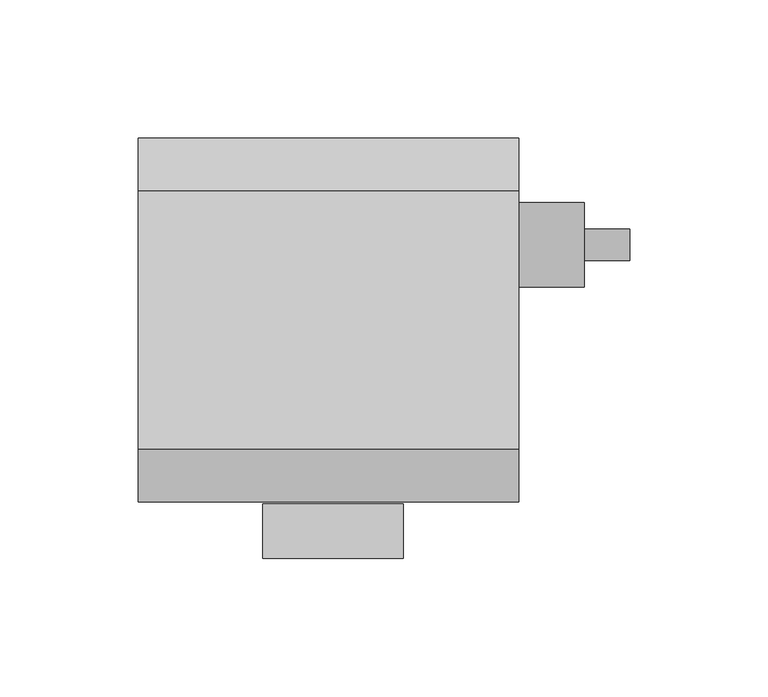
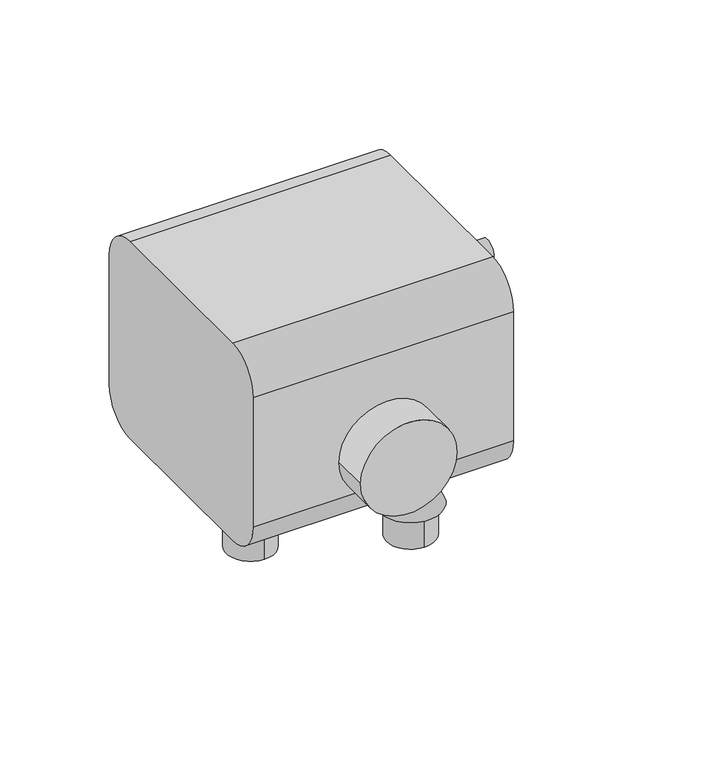
"""IFC4 building model written with IfcOpenShell, lengths in millimetres: proxy geometry."""

import ifcopenshell
import ifcopenshell.guid

model = None  # the IFC model being written
_history = None  # IfcOwnerHistory: only IFC2X3 demands one
_inside = {}  # id of a spatial element -> (the spatial element, [elements in it])
_under = {}  # id of a project, library or spatial element -> (it, [spatial elements below it])
_declared = {}  # id of a project -> (the project, [libraries it declares])
_typed = {}  # id of a type object -> (the type object, [elements of that type])
_made_of = {}  # id of a material, layer set ... -> (it, [elements and type objects made of it])


def new_model(schema):
    """Start an empty IFC model of exactly this schema.

    Asked for "IFC4X3", IfcOpenShell would pick the latest addendum, in which some entities
    have other attributes; the version numbers below select the first issue.
    IFC2X3 requires an IfcOwnerHistory on every rooted entity: one is made here for all.
    """
    global model, _history
    if schema == "IFC4X3":
        model = ifcopenshell.file(schema_version=(4, 3, 0, 0))
    else:
        model = ifcopenshell.file(schema=schema)
    _inside.clear()
    _under.clear()
    _declared.clear()
    _typed.clear()
    _made_of.clear()
    _history = None
    if model.schema == "IFC2X3":
        org = make("IfcOrganization", Name="unknown")
        user = make(
            "IfcPersonAndOrganization",
            ThePerson=make("IfcPerson", FamilyName="unknown"),
            TheOrganization=org,
        )
        app = make(
            "IfcApplication",
            ApplicationDeveloper=org,
            Version="unknown",
            ApplicationFullName="unknown",
            ApplicationIdentifier="unknown",
        )
        _history = make(
            "IfcOwnerHistory",
            OwningUser=user,
            OwningApplication=app,
            ChangeAction="ADDED",
            CreationDate=0,
        )
    return model


def make(cls, **values):
    """One entity of the class cls with the attributes given. An attribute that is None is left unset."""
    return model.create_entity(
        cls, **{name: value for name, value in values.items() if value is not None}
    )


def rooted(cls, **values):
    """An entity with a GlobalId (a new one), such as an element, a storey or a relation."""
    return make(cls, GlobalId=ifcopenshell.guid.new(), OwnerHistory=_history, **values)


def si_unit(unit_type, name, prefix=None):
    """IfcSIUnit, for example si_unit("LENGTHUNIT", "METRE", prefix="MILLI")."""
    return make("IfcSIUnit", UnitType=unit_type, Prefix=prefix, Name=name)


def assignment(units):
    """IfcUnitAssignment: the units of a project."""
    return None if units is None else make("IfcUnitAssignment", Units=units)


def point(xyz):
    """IfcCartesianPoint."""
    return None if xyz is None else make("IfcCartesianPoint", Coordinates=xyz)


def direction(xyz):
    """IfcDirection."""
    return None if xyz is None else make("IfcDirection", DirectionRatios=xyz)


def frame(location, z_axis=None, x_axis=None):
    """IfcAxis2Placement3D, a coordinate frame: its origin and axes. An axis left out is left unset."""
    return make(
        "IfcAxis2Placement3D",
        Location=point(location),
        Axis=direction(z_axis),
        RefDirection=direction(x_axis),
    )


def frame_2d(location, x_axis=None):
    """IfcAxis2Placement2D, a coordinate frame in the plane: its origin and x axis."""
    return make(
        "IfcAxis2Placement2D", Location=point(location), RefDirection=direction(x_axis)
    )


def origin():
    """The frame at (0, 0, 0) with its axes left unset."""
    return frame((0.0, 0.0, 0.0))


def origin_with_axes():
    """The frame at (0, 0, 0) with the z axis (0, 0, 1) and the x axis (1, 0, 0) written out."""
    return frame((0.0, 0.0, 0.0), z_axis=(0.0, 0.0, 1.0), x_axis=(1.0, 0.0, 0.0))


def place(relative_to, where):
    """IfcLocalPlacement: puts the frame where relative to a parent placement (None: the world)."""
    return make(
        "IfcLocalPlacement", PlacementRelTo=relative_to, RelativePlacement=where
    )


def context(
    kind, dimensions, precision=None, world=None, true_north=None, identifier=None
):
    """IfcGeometricRepresentationContext, for example the 3D "Model" context."""
    return make(
        "IfcGeometricRepresentationContext",
        ContextIdentifier=identifier,
        ContextType=kind,
        CoordinateSpaceDimension=dimensions,
        Precision=precision,
        WorldCoordinateSystem=world,
        TrueNorth=true_north,
    )


def project(units=None, contexts=None):
    """IfcProject with its units and contexts."""
    return rooted(
        "IfcProject",
        Name="project",
        RepresentationContexts=contexts,
        UnitsInContext=assignment(units),
    )


def spatial(cls, under=None, at=None, **own):
    """A site, building, storey or space (cls), placed at a placement, below another one or the project."""
    s = rooted(cls, ObjectPlacement=at, **own)
    if under is not None:
        _under.setdefault(under.id(), (under, []))[1].append(s)
    return s


def polyline(points):
    """IfcPolyline through the points."""
    return make("IfcPolyline", Points=[point(p) for p in points])


def circle_curve(where, radius):
    """IfcCircle in the frame where."""
    return make("IfcCircle", Position=where, Radius=radius)


def trimmed(basis, trim1, trim2, sense, master):
    """IfcTrimmedCurve: the piece of a basis curve between two trims."""
    return make(
        "IfcTrimmedCurve",
        BasisCurve=basis,
        Trim1=trim1,
        Trim2=trim2,
        SenseAgreement=sense,
        MasterRepresentation=master,
    )


def segment(curve, same_sense, transition):
    """IfcCompositeCurveSegment."""
    return make(
        "IfcCompositeCurveSegment",
        Transition=transition,
        SameSense=same_sense,
        ParentCurve=curve,
    )


def composite_curve(segments, self_intersect=None):
    """IfcCompositeCurve: segments joined end to end."""
    return make("IfcCompositeCurve", Segments=segments, SelfIntersect=self_intersect)


def outline(outer, holes=None, kind="AREA"):
    """IfcArbitraryClosedProfileDef: a profile drawn as a closed curve; with holes, ...WithVoids."""
    if holes is None:
        return make("IfcArbitraryClosedProfileDef", ProfileType=kind, OuterCurve=outer)
    return make(
        "IfcArbitraryProfileDefWithVoids",
        ProfileType=kind,
        OuterCurve=outer,
        InnerCurves=holes,
    )


def extrude(swept, where, along, depth):
    """IfcExtrudedAreaSolid: the profile swept, set in the frame where, extruded along a direction by depth."""
    return make(
        "IfcExtrudedAreaSolid",
        SweptArea=swept,
        Position=where,
        ExtrudedDirection=direction(along),
        Depth=depth,
    )


def shape(context_of_items, identifier, shape_type, items):
    """IfcShapeRepresentation: the items that make up one representation, for example the "Body"."""
    return make(
        "IfcShapeRepresentation",
        ContextOfItems=context_of_items,
        RepresentationIdentifier=identifier,
        RepresentationType=shape_type,
        Items=items,
    )


def source(mapping_origin, context_of_items, identifier, shape_type, items):
    """IfcRepresentationMap: a shape defined once, which mapped items show again and again."""
    return make(
        "IfcRepresentationMap",
        MappingOrigin=mapping_origin,
        MappedRepresentation=shape(context_of_items, identifier, shape_type, items),
    )


def transform(
    local_origin,
    x_axis=None,
    y_axis=None,
    z_axis=None,
    scale=None,
    scale2=None,
    scale3=None,
    uniform=True,
):
    """IfcCartesianTransformationOperator3D, or its non-uniform kind. x_axis, y_axis, z_axis: its Axis1, 2, 3."""
    if uniform:
        return make(
            "IfcCartesianTransformationOperator3D",
            Axis1=direction(x_axis),
            Axis2=direction(y_axis),
            LocalOrigin=point(local_origin),
            Scale=scale,
            Axis3=direction(z_axis),
        )
    return make(
        "IfcCartesianTransformationOperator3DnonUniform",
        Axis1=direction(x_axis),
        Axis2=direction(y_axis),
        LocalOrigin=point(local_origin),
        Scale=scale,
        Axis3=direction(z_axis),
        Scale2=scale2,
        Scale3=scale3,
    )


def mapped(mapping_source, mapping_target):
    """IfcMappedItem: shows the shape of a source again, moved by a transform."""
    return make(
        "IfcMappedItem", MappingSource=mapping_source, MappingTarget=mapping_target
    )


def made_of(thing, what):
    """Note that an element or type object is made of a material, layer set ...; save() writes the relation."""
    if what is not None:
        _made_of.setdefault(what.id(), (what, []))[1].append(thing)
    return thing


def element(
    cls,
    number,
    at=None,
    inside=None,
    cuts=None,
    type_object=None,
    material=None,
    context=None,
    identifier="Body",
    shape_type=None,
    held_by="IfcProductDefinitionShape",
    body=None,
    shapes=None,
    **own,
):
    """One element of the class cls, such as IfcWall. Its Tag is "e" and its number.

    at: its placement. inside: the storey or other place that contains it. cuts: it is an
    opening in that element (IfcRelVoidsElement). A single representation is given by context,
    identifier, shape_type and body (its items); several are given by shapes. held_by: the class
    of the entity that holds the representations. save() writes the other relations.
    """
    e = rooted(cls, Tag="e%d" % number, ObjectPlacement=at, **own)
    if body is not None:
        shapes = [shape(context, identifier, shape_type, body)]
    if shapes is not None:
        e.Representation = make(held_by, Representations=shapes)
    if inside is not None:
        _inside.setdefault(inside.id(), (inside, []))[1].append(e)
    if cuts is not None:
        rooted(
            "IfcRelVoidsElement", RelatingBuildingElement=cuts, RelatedOpeningElement=e
        )
    if type_object is not None:
        _typed.setdefault(type_object.id(), (type_object, []))[1].append(e)
    return made_of(e, material)


def aggregate(whole, parts):
    """IfcRelAggregates: a whole, such as a stair, and the parts it consists of."""
    return rooted("IfcRelAggregates", RelatingObject=whole, RelatedObjects=parts)


def save(model, path):
    """Write the relations noted so far, then the file.

    IfcRelAggregates (storeys below a building ...), IfcRelContainedInSpatialStructure (elements
    in a storey), IfcRelDefinesByType, IfcRelAssociatesMaterial and IfcRelDeclares: one each for
    every whole, place, type object, material and project.
    """
    for whole, parts in _under.values():
        aggregate(whole, parts)
    for where, things in _inside.values():
        rooted(
            "IfcRelContainedInSpatialStructure",
            RelatedElements=things,
            RelatingStructure=where,
        )
    for kind, things in _typed.values():
        rooted("IfcRelDefinesByType", RelatedObjects=things, RelatingType=kind)
    for what, things in _made_of.values():
        rooted("IfcRelAssociatesMaterial", RelatedObjects=things, RelatingMaterial=what)
    for by, libraries in _declared.values():
        rooted("IfcRelDeclares", RelatingContext=by, RelatedDefinitions=libraries)
    model.write(path)


def plane_surface(at):
    """IfcPlane: the flat surface through the origin of the frame at, square to its z axis."""
    return make("IfcPlane", Position=at)


def cylinder_surface(at, radius):
    """IfcCylindricalSurface: all points at the distance radius from the z axis of the frame at."""
    return make("IfcCylindricalSurface", Position=at, Radius=radius)


def revolved_surface(curve, axis_point, axis_direction):
    """IfcSurfaceOfRevolution: the curve turned about the line through axis_point along axis_direction."""
    return make(
        "IfcSurfaceOfRevolution",
        SweptCurve=make("IfcArbitraryOpenProfileDef", ProfileType="CURVE", Curve=curve),
        AxisPosition=make("IfcAxis1Placement", Location=point(axis_point), Axis=direction(axis_direction)),
    )


def advanced_brep(points, edges, surfaces, faces):
    """IfcAdvancedBrep: a solid bounded by faces that lie on surfaces and meet in shared edges.

    An edge is (start, end): straight between two places in points (the first is 0);
    or (start, end, curve); or (start, end, curve, False) where it runs against its curve.
    A face is (place in surfaces, loops), or (place, loops, False) where it looks against
    its surface's normal. A loop lists edges by number (the first is 1), with a minus sign
    where the edge is run from its end to its start. The first loop is the outer one.
    """
    corners = [point(p) for p in points]
    vertices = [make("IfcVertexPoint", VertexGeometry=c) for c in corners]
    made = []
    for start, end, *more in edges:
        made.append(
            make(
                "IfcEdgeCurve",
                EdgeStart=vertices[start],
                EdgeEnd=vertices[end],
                EdgeGeometry=more[0] if more else make("IfcPolyline", Points=[corners[start], corners[end]]),
                SameSense=more[1] if len(more) > 1 else True,
            )
        )
    hull = []
    for where, loops, *sense in faces:
        bounds = []
        for j, loop in enumerate(loops):
            ring = [make("IfcOrientedEdge", EdgeElement=made[abs(k) - 1], Orientation=k > 0) for k in loop]
            bounds.append(
                make(
                    "IfcFaceOuterBound" if j == 0 else "IfcFaceBound",
                    Bound=make("IfcEdgeLoop", EdgeList=ring),
                    Orientation=True,
                )
            )
        hull.append(make("IfcAdvancedFace", Bounds=bounds, FaceSurface=surfaces[where], SameSense=sense[0] if sense else True))
    return make("IfcAdvancedBrep", Outer=make("IfcClosedShell", CfsFaces=hull))


def specialty_equipment_cc5dd597(model_context):
    return source(origin(), model_context, "Body", "SolidModel", [
        advanced_brep(
        [(5.1374303, -39.2704132, 41.6805987), (23.7361497, -39.2704132, 41.6805987), (23.7361497, -39.2704132, 31.9094038), (5.1374303, -39.2704132, 31.9094038), (14.43679, -39.2704132, 41.6805987), (-1.7211066, -39.2704132, 17.2012239), (30.5946866, -39.2704132, 17.2012239), (14.43679, -39.2704132, 17.2012239)],
        [
            (0, 1, circle_curve(frame((14.43679, -39.2704132, 41.6805987), z_axis=(0.0, 0.0, -1.0), x_axis=(1.0, 0.0, 0.0)), 9.2993597)),
            (1, 2),
            (2, 3, circle_curve(frame((14.43679, -39.2704132, 31.9094038), z_axis=(0.0, 0.0, 1.0), x_axis=(1.0, 0.0, 0.0)), 9.2993597)),
            (3, 0),
            (1, 0, circle_curve(frame((14.43679, -39.2704132, 41.6805987), z_axis=(0.0, 0.0, -1.0), x_axis=(1.0, 0.0, 0.0)), 9.2993597)),
            (3, 2, circle_curve(frame((14.43679, -39.2704132, 31.9094038), z_axis=(0.0, 0.0, 1.0), x_axis=(1.0, 0.0, 0.0)), 9.2993597)),
            (4, 1),
            (0, 4),
            (5, 6, circle_curve(frame((14.43679, -39.2704132, 17.2012239), z_axis=(0.0, 0.0, -1.0), x_axis=(1.0, 0.0, 0.0)), 16.1578966)),
            (6, 7),
            (7, 5),
            (6, 5, circle_curve(frame((14.43679, -39.2704132, 17.2012239), z_axis=(0.0, 0.0, -1.0), x_axis=(1.0, 0.0, 0.0)), 16.1578966)),
            (2, 6),
            (5, 3),
        ],
        [
            cylinder_surface(frame((14.43679, -39.2704132, -41.3412365), z_axis=(0.0, 0.0, 1.0), x_axis=(1.0, 0.0, 0.0)), 9.2993597),
            plane_surface(frame((14.43679, -39.2704132, 41.6805987), z_axis=(0.0, 0.0, 1.0), x_axis=(1.0, 0.0, 0.0))),
            plane_surface(frame((14.43679, -39.2704132, 17.2012239), z_axis=(0.0, 0.0, -1.0), x_axis=(1.0, 0.0, 0.0))),
            revolved_surface(polyline([(30.5946866, -39.2704132, 17.2012239), (23.7361497, -39.2704132, 31.9094038)]), (14.43679, -39.2704132, -41.3412365), (0.0, 0.0, 1.0)),
        ],
        [
            (0, [[1, 2, 3, 4]]),
            (0, [[5, -4, 6, -2]]),
            (1, [[7, -1, 8]]),
            (1, [[-8, -5, -7]]),
            (2, [[9, 10, 11]]),
            (2, [[12, -11, -10]]),
            (3, [[-3, 13, -9, 14]]),
            (3, [[-6, -14, -12, -13]]),
        ],
    ),
        extrude(outline(composite_curve([segment(trimmed(circle_curve(frame_2d((14.43679, -39.2704132)), 12.7), [point((14.43679, -26.5704132))], [point((14.43679, -51.9704132))], False, "CARTESIAN"), True, "CONTINUOUS"), segment(trimmed(circle_curve(frame_2d((14.43679, -39.2704132)), 12.7), [point((14.43679, -51.9704132))], [point((14.43679, -26.5704132))], False, "CARTESIAN"), True, "CONTINUOUS")], self_intersect=False)), origin_with_axes(), (0.0, 0.0, 1.0), 17.2004489),
        advanced_brep(
        [(5.1374303, -96.4204132, 41.6805987), (23.7361497, -96.4204132, 41.6805987), (23.7361497, -96.4204132, 31.9094038), (5.1374303, -96.4204132, 31.9094038), (14.43679, -96.4204132, 41.6805987), (-1.7211066, -96.4204132, 17.2012239), (30.5946866, -96.4204132, 17.2012239), (14.43679, -96.4204132, 17.2012239)],
        [
            (0, 1, circle_curve(frame((14.43679, -96.4204132, 41.6805987), z_axis=(0.0, 0.0, -1.0), x_axis=(1.0, 0.0, 0.0)), 9.2993597)),
            (1, 2),
            (2, 3, circle_curve(frame((14.43679, -96.4204132, 31.9094038), z_axis=(0.0, 0.0, 1.0), x_axis=(1.0, 0.0, 0.0)), 9.2993597)),
            (3, 0),
            (1, 0, circle_curve(frame((14.43679, -96.4204132, 41.6805987), z_axis=(0.0, 0.0, -1.0), x_axis=(1.0, 0.0, 0.0)), 9.2993597)),
            (3, 2, circle_curve(frame((14.43679, -96.4204132, 31.9094038), z_axis=(0.0, 0.0, 1.0), x_axis=(1.0, 0.0, 0.0)), 9.2993597)),
            (4, 1),
            (0, 4),
            (5, 6, circle_curve(frame((14.43679, -96.4204132, 17.2012239), z_axis=(0.0, 0.0, -1.0), x_axis=(1.0, 0.0, 0.0)), 16.1578966)),
            (6, 7),
            (7, 5),
            (6, 5, circle_curve(frame((14.43679, -96.4204132, 17.2012239), z_axis=(0.0, 0.0, -1.0), x_axis=(1.0, 0.0, 0.0)), 16.1578966)),
            (2, 6),
            (5, 3),
        ],
        [
            cylinder_surface(frame((14.43679, -96.4204132, -41.3412365), z_axis=(0.0, 0.0, 1.0), x_axis=(1.0, 0.0, 0.0)), 9.2993597),
            plane_surface(frame((14.43679, -96.4204132, 41.6805987), z_axis=(0.0, 0.0, 1.0), x_axis=(1.0, 0.0, 0.0))),
            plane_surface(frame((14.43679, -96.4204132, 17.2012239), z_axis=(0.0, 0.0, -1.0), x_axis=(1.0, 0.0, 0.0))),
            revolved_surface(polyline([(30.5946866, -96.4204132, 17.2012239), (23.7361497, -96.4204132, 31.9094038)]), (14.43679, -96.4204132, -41.3412365), (0.0, 0.0, 1.0)),
        ],
        [
            (0, [[1, 2, 3, 4]]),
            (0, [[5, -4, 6, -2]]),
            (1, [[7, -1, 8]]),
            (1, [[-8, -5, -7]]),
            (2, [[9, 10, 11]]),
            (2, [[12, -11, -10]]),
            (3, [[-3, 13, -9, 14]]),
            (3, [[-6, -14, -12, -13]]),
        ],
    ),
        extrude(outline(composite_curve([segment(trimmed(circle_curve(frame_2d((14.43679, -96.4204132)), 12.7), [point((14.43679, -83.7204132))], [point((14.43679, -109.1204132))], False, "CARTESIAN"), True, "CONTINUOUS"), segment(trimmed(circle_curve(frame_2d((14.43679, -96.4204132)), 12.7), [point((14.43679, -109.1204132))], [point((14.43679, -83.7204132))], False, "CARTESIAN"), True, "CONTINUOUS")], self_intersect=False)), origin_with_axes(), (0.0, 0.0, 1.0), 17.2004489),
        advanced_brep(
        [(48.5342193, -38.5448591, 97.1275529), (48.5342193, -23.3225177, 97.1275529), (48.5342193, -53.7672005, 97.1275529), (72.2189805, -23.3225177, 97.1275529), (72.2189805, -53.7672005, 97.1275529), (72.2189805, -32.8199978, 97.1275529), (72.2189805, -44.2697204, 97.1275529), (88.5609873, -32.8199978, 97.1275529), (88.5609873, -44.2697204, 97.1275529), (88.5609873, -38.5448591, 97.1275529)],
        [
            (0, 1),
            (1, 2, circle_curve(frame((48.5342193, -38.5448591, 97.1275529), z_axis=(-1.0, 0.0, 0.0), x_axis=(0.0, 1.0, 0.0)), 15.2223414)),
            (2, 0),
            (2, 1, circle_curve(frame((48.5342193, -38.5448591, 97.1275529), z_axis=(-1.0, 0.0, 0.0), x_axis=(0.0, 1.0, 0.0)), 15.2223414)),
            (1, 3),
            (3, 4, circle_curve(frame((72.2189805, -38.5448591, 97.1275529), z_axis=(-1.0, 0.0, 0.0), x_axis=(0.0, 1.0, 0.0)), 15.2223414)),
            (4, 2),
            (4, 3, circle_curve(frame((72.2189805, -38.5448591, 97.1275529), z_axis=(-1.0, 0.0, 0.0), x_axis=(0.0, 1.0, 0.0)), 15.2223414)),
            (3, 5),
            (5, 6, circle_curve(frame((72.2189805, -38.5448591, 97.1275529), z_axis=(-1.0, 0.0, 0.0), x_axis=(0.0, 1.0, 0.0)), 5.7248613)),
            (6, 4),
            (6, 5, circle_curve(frame((72.2189805, -38.5448591, 97.1275529), z_axis=(-1.0, 0.0, 0.0), x_axis=(0.0, 1.0, 0.0)), 5.7248613)),
            (5, 7),
            (7, 8, circle_curve(frame((88.5609873, -38.5448591, 97.1275529), z_axis=(-1.0, 0.0, 0.0), x_axis=(0.0, 1.0, 0.0)), 5.7248613)),
            (8, 6),
            (8, 7, circle_curve(frame((88.5609873, -38.5448591, 97.1275529), z_axis=(-1.0, 0.0, 0.0), x_axis=(0.0, 1.0, 0.0)), 5.7248613)),
            (7, 9),
            (9, 8),
        ],
        [
            plane_surface(frame((48.5342193, -38.5448591, 97.1275529), z_axis=(-1.0, 0.0, 0.0), x_axis=(0.0, 1.0, 0.0))),
            cylinder_surface(frame((-1172.9958562, -38.5448591, 97.1275529), z_axis=(-1.0, 0.0, 0.0), x_axis=(0.0, 1.0, 0.0)), 15.2223414),
            plane_surface(frame((72.2189805, -38.5448591, 97.1275529), z_axis=(1.0, 0.0, 0.0), x_axis=(0.0, 1.0, 0.0))),
            cylinder_surface(frame((-1172.9958562, -38.5448591, 97.1275529), z_axis=(-1.0, 0.0, 0.0), x_axis=(0.0, 1.0, 0.0)), 5.7248613),
            plane_surface(frame((88.5609873, -38.5448591, 97.1275529), z_axis=(1.0, 0.0, 0.0), x_axis=(0.0, 1.0, 0.0))),
        ],
        [
            (0, [[1, 2, 3]]),
            (0, [[-3, 4, -1]]),
            (1, [[-2, 5, 6, 7]]),
            (1, [[-4, -7, 8, -5]]),
            (2, [[-6, 9, 10, 11]]),
            (2, [[-8, -11, 12, -9]]),
            (3, [[-10, 13, 14, 15]]),
            (3, [[-12, -15, 16, -13]]),
            (4, [[-14, 17, 18]]),
            (4, [[-16, -18, -17]]),
        ],
    ),
        extrude(outline(composite_curve([segment(trimmed(circle_curve(frame_2d((81.6489749, -18.5326731)), 25.4), [point((81.6489749, -43.9326731))], [point((81.6489749, 6.8673269))], False, "CARTESIAN"), True, "CONTINUOUS"), segment(trimmed(circle_curve(frame_2d((81.6489749, -18.5326731)), 25.4), [point((81.6489749, 6.8673269))], [point((81.6489749, -43.9326731))], False, "CARTESIAN"), True, "CONTINUOUS")], self_intersect=False)), frame((0.0, -151.8836166, 0.0), z_axis=(0.0, 1.0, 0.0), x_axis=(0.0, 0.0, 1.0)), (0.0, 0.0, 1.0), 19.7058576),
        advanced_brep(
        [(-63.1250697, -68.2618428, 41.6805987), (-44.5263503, -68.2618428, 41.6805987), (-44.5263503, -68.2618428, 31.9094038), (-63.1250697, -68.2618428, 31.9094038), (-53.82571, -68.2618428, 41.6805987), (-69.9836066, -68.2618428, 17.2012239), (-37.6678134, -68.2618428, 17.2012239), (-53.82571, -68.2618428, 17.2012239)],
        [
            (0, 1, circle_curve(frame((-53.82571, -68.2618428, 41.6805987), z_axis=(0.0, 0.0, -1.0), x_axis=(1.0, 0.0, 0.0)), 9.2993597)),
            (1, 2),
            (2, 3, circle_curve(frame((-53.82571, -68.2618428, 31.9094038), z_axis=(0.0, 0.0, 1.0), x_axis=(1.0, 0.0, 0.0)), 9.2993597)),
            (3, 0),
            (1, 0, circle_curve(frame((-53.82571, -68.2618428, 41.6805987), z_axis=(0.0, 0.0, -1.0), x_axis=(1.0, 0.0, 0.0)), 9.2993597)),
            (3, 2, circle_curve(frame((-53.82571, -68.2618428, 31.9094038), z_axis=(0.0, 0.0, 1.0), x_axis=(1.0, 0.0, 0.0)), 9.2993597)),
            (4, 1),
            (0, 4),
            (5, 6, circle_curve(frame((-53.82571, -68.2618428, 17.2012239), z_axis=(0.0, 0.0, -1.0), x_axis=(1.0, 0.0, 0.0)), 16.1578966)),
            (6, 7),
            (7, 5),
            (6, 5, circle_curve(frame((-53.82571, -68.2618428, 17.2012239), z_axis=(0.0, 0.0, -1.0), x_axis=(1.0, 0.0, 0.0)), 16.1578966)),
            (2, 6),
            (5, 3),
        ],
        [
            cylinder_surface(frame((-53.82571, -68.2618428, -41.3412365), z_axis=(0.0, 0.0, 1.0), x_axis=(1.0, 0.0, 0.0)), 9.2993597),
            plane_surface(frame((-53.82571, -68.2618428, 41.6805987), z_axis=(0.0, 0.0, 1.0), x_axis=(1.0, 0.0, 0.0))),
            plane_surface(frame((-53.82571, -68.2618428, 17.2012239), z_axis=(0.0, 0.0, -1.0), x_axis=(1.0, 0.0, 0.0))),
            revolved_surface(polyline([(-37.6678134, -68.2618428, 17.2012239), (-44.5263503, -68.2618428, 31.9094038)]), (-53.82571, -68.2618428, -41.3412365), (0.0, 0.0, 1.0)),
        ],
        [
            (0, [[1, 2, 3, 4]]),
            (0, [[5, -4, 6, -2]]),
            (1, [[7, -1, 8]]),
            (1, [[-8, -5, -7]]),
            (2, [[9, 10, 11]]),
            (2, [[12, -11, -10]]),
            (3, [[-3, 13, -9, 14]]),
            (3, [[-6, -14, -12, -13]]),
        ],
    ),
        extrude(outline(composite_curve([segment(trimmed(circle_curve(frame_2d((-53.82571, -68.2618428)), 12.7), [point((-53.82571, -55.5618428))], [point((-53.82571, -80.9618428))], False, "CARTESIAN"), True, "CONTINUOUS"), segment(trimmed(circle_curve(frame_2d((-53.82571, -68.2618428)), 12.7), [point((-53.82571, -80.9618428))], [point((-53.82571, -55.5618428))], False, "CARTESIAN"), True, "CONTINUOUS")], self_intersect=False)), origin_with_axes(), (0.0, 0.0, 1.0), 17.2004489),
        extrude(outline(composite_curve([segment(trimmed(circle_curve(frame_2d((-19.05, 61.0046573)), 19.05), [point((0.0, 61.0046573))], [point((-19.05, 41.9546573))], False, "CARTESIAN"), True, "CONTINUOUS"), segment(polyline([(-19.05, 41.9546573), (-112.4775694, 41.9546573)]), True, "CONTINUOUS"), segment(trimmed(circle_curve(frame_2d((-112.4775694, 61.0046573)), 19.05), [point((-112.4775694, 41.9546573))], [point((-131.5275694, 61.0046573))], False, "CARTESIAN"), True, "CONTINUOUS"), segment(polyline([(-131.5275694, 61.0046573), (-131.5275694, 132.9909826)]), True, "CONTINUOUS"), segment(trimmed(circle_curve(frame_2d((-112.4775694, 132.9909826)), 19.05), [point((-131.5275694, 132.9909826))], [point((-112.4775694, 152.0409826))], False, "CARTESIAN"), True, "CONTINUOUS"), segment(polyline([(-112.4775694, 152.0409826), (-19.05, 152.0409826)]), True, "CONTINUOUS"), segment(trimmed(circle_curve(frame_2d((-19.05, 132.9909826)), 19.05), [point((-19.05, 152.0409826))], [point((0.0, 132.9909826))], False, "CARTESIAN"), True, "CONTINUOUS"), segment(polyline([(0.0, 132.9909826), (0.0, 61.0046573)]), True, "CONTINUOUS")], self_intersect=False)), frame((-88.9, 0.0, 0.0), z_axis=(1.0, 0.0, 0.0), x_axis=(0.0, 1.0, 0.0)), (0.0, 0.0, 1.0), 137.4342193),
    ])


if __name__ == "__main__":
    model = new_model("IFC4")
    model_context = context("Model", 3, world=origin())
    ifc_project = project(units=[si_unit("LENGTHUNIT", "METRE", prefix="MILLI")], contexts=[model_context])
    site = spatial("IfcSite", under=ifc_project)
    building = spatial("IfcBuilding", under=site)
    placement = place(None, origin())
    specialty_equipment_shape = specialty_equipment_cc5dd597(model_context)
    element("IfcBuildingElementProxy", 1, Name="Specialty Equipment", at=placement, inside=building, context=model_context, shape_type="MappedRepresentation", body=[
        mapped(specialty_equipment_shape, transform((0.0, 0.0, 0.0), x_axis=(1.0, 0.0, 0.0), y_axis=(0.0, 1.0, 0.0), z_axis=(0.0, 0.0, 1.0))),
    ])
    save(model, "model.ifc")
